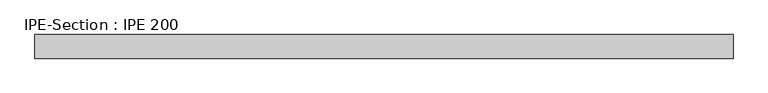
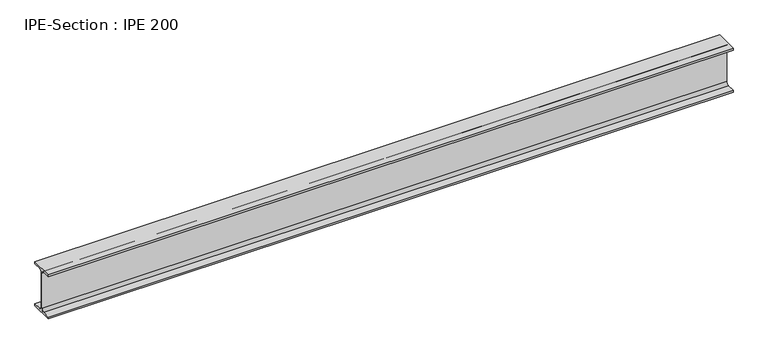
"""IFC4 building model written with IfcOpenShell, lengths in millimetres: beam geometry, IPE-Section : IPE 200."""

from ifc_helpers import new_model, si_unit, point, frame, frame_2d, origin, place, context, project, spatial, polyline, circle_curve, trimmed, segment, composite_curve, outline, extrude, source, transform, mapped, element, save


def ipe_section_ipe_200_f41adc43(model_context):
    return source(origin(), model_context, "Body", "SweptSolid", [
        extrude(outline(composite_curve([segment(polyline([(50.0, -91.5), (50.0, -100.0), (-50.0, -100.0), (-50.0, -91.5), (-14.8, -91.5)]), True, "CONTINUOUS"), segment(trimmed(circle_curve(frame_2d((-14.8, -79.5)), 12.0), [point((-14.8, -91.5))], [point((-2.8, -79.5))], True, "CARTESIAN"), True, "CONTINUOUS"), segment(polyline([(-2.8, -79.5), (-2.8, 79.5)]), True, "CONTINUOUS"), segment(trimmed(circle_curve(frame_2d((-14.8, 79.5)), 12.0), [point((-2.8, 79.5))], [point((-14.8, 91.5))], True, "CARTESIAN"), True, "CONTINUOUS"), segment(polyline([(-14.8, 91.5), (-50.0, 91.5), (-50.0, 100.0), (50.0, 100.0), (50.0, 91.5), (14.8, 91.5)]), True, "CONTINUOUS"), segment(trimmed(circle_curve(frame_2d((14.8, 79.5)), 12.0), [point((14.8, 91.5))], [point((2.8, 79.5))], True, "CARTESIAN"), True, "CONTINUOUS"), segment(polyline([(2.8, 79.5), (2.8, -79.5)]), True, "CONTINUOUS"), segment(trimmed(circle_curve(frame_2d((14.8, -79.5)), 12.0), [point((2.8, -79.5))], [point((14.8, -91.5))], True, "CARTESIAN"), True, "CONTINUOUS"), segment(polyline([(14.8, -91.5), (50.0, -91.5)]), True, "CONTINUOUS")], self_intersect=False)), frame((-1476.05, 0.0, 0.0), z_axis=(1.0, 0.0, 0.0), x_axis=(0.0, 1.0, 0.0)), (0.0, 0.0, 1.0), 2952.1),
    ])


if __name__ == "__main__":
    model = new_model("IFC4")
    model_context = context("Model", 3, world=origin())
    ifc_project = project(units=[si_unit("LENGTHUNIT", "METRE", prefix="MILLI")], contexts=[model_context])
    site = spatial("IfcSite", under=ifc_project)
    building = spatial("IfcBuilding", under=site)
    placement = place(None, origin())
    ipe_section_ipe_200_shape = ipe_section_ipe_200_f41adc43(model_context)
    element("IfcBeam", 1, ObjectType="IPE-Section : IPE 200", at=placement, inside=building, context=model_context, shape_type="MappedRepresentation", body=[
        mapped(ipe_section_ipe_200_shape, transform((0.0, 0.0, 0.0), x_axis=(1.0, 0.0, 0.0), y_axis=(0.0, 1.0, 0.0), z_axis=(0.0, 0.0, 1.0))),
    ])
    save(model, "model.ifc")
